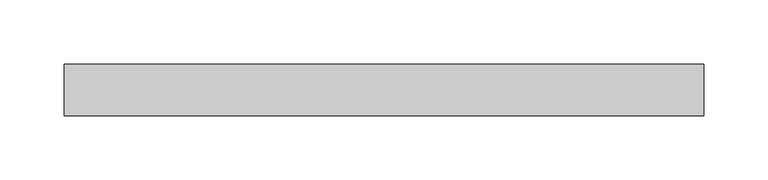
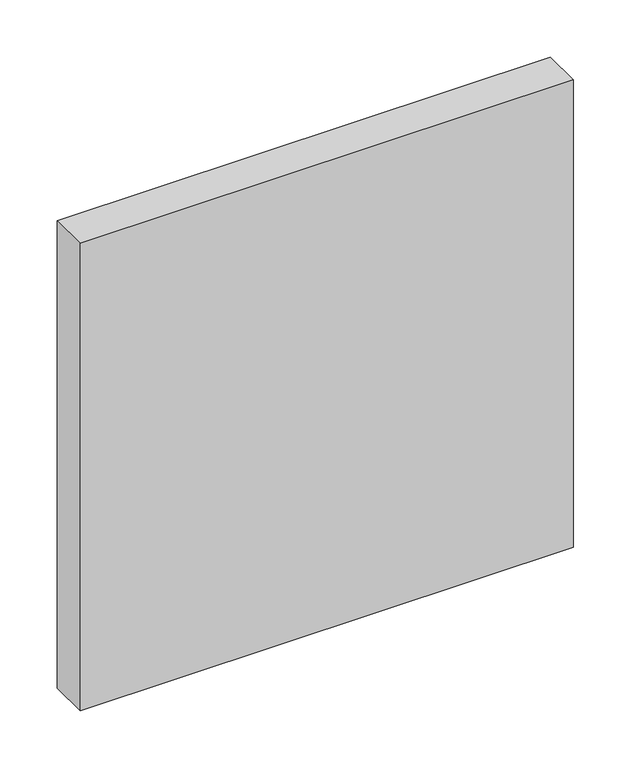
"""IFC4 building model written with IfcOpenShell, lengths in millimetres: plate geometry."""

from ifc_helpers import new_model, si_unit, origin, origin_with_axes, place, context, project, spatial, polyline, outline, extrude, source, transform, mapped, element, save


def plate_7801af8b(model_context):
    return source(origin(), model_context, "Body", "SweptSolid", [
        extrude(outline(polyline([(248.9999999, -40.0), (-248.9999999, -40.0), (-248.9999999, 0.0), (248.9999999, 0.0), (248.9999999, -40.0)])), origin_with_axes(), (0.0, 0.0, 1.0), 499.0),
    ])


if __name__ == "__main__":
    model = new_model("IFC4")
    model_context = context("Model", 3, world=origin())
    ifc_project = project(units=[si_unit("LENGTHUNIT", "METRE", prefix="MILLI")], contexts=[model_context])
    site = spatial("IfcSite", under=ifc_project)
    building = spatial("IfcBuilding", under=site)
    placement = place(None, origin())
    plate_shape = plate_7801af8b(model_context)
    element("IfcPlate", 1, at=placement, inside=building, context=model_context, shape_type="MappedRepresentation", body=[
        mapped(plate_shape, transform((0.0, 0.0, 0.0), x_axis=(1.0, 0.0, 0.0), y_axis=(0.0, 1.0, 0.0), z_axis=(0.0, 0.0, 1.0))),
    ])
    save(model, "model.ifc")
